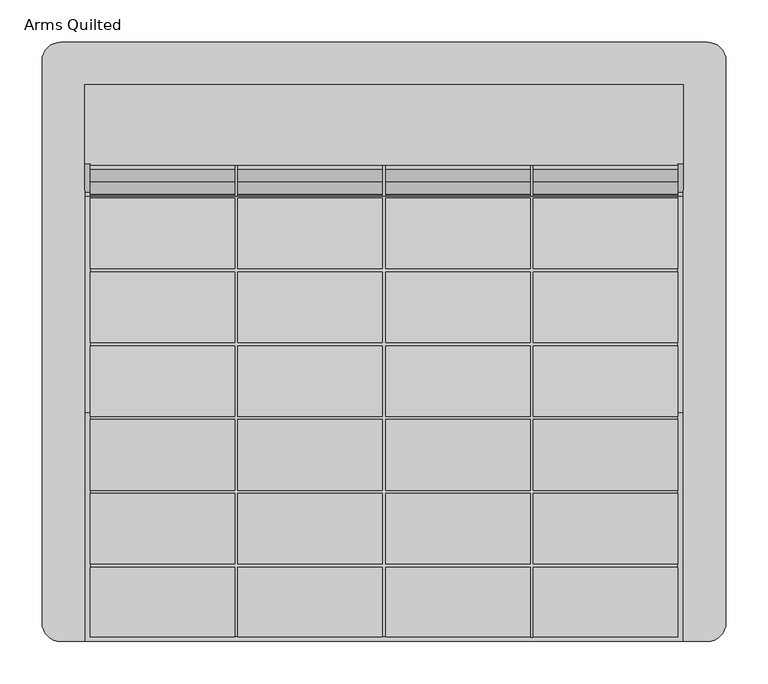
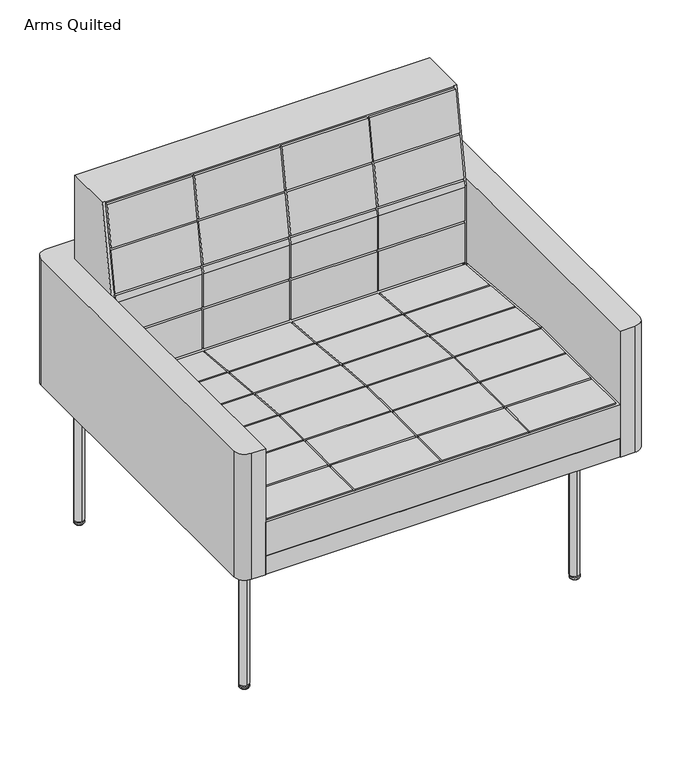
"""IFC4 building model written with IfcOpenShell, lengths in millimetres: furniture geometry, Arms Quilted."""

from ifc_helpers import new_model, si_unit, point, frame, frame_2d, origin, place, context, project, spatial, polyline, circle_curve, ellipse_curve, trimmed, segment, composite_curve, outline, extrude, faceted_brep, source, transform, mapped, element, save
from ifc_brep_helpers import plane_surface, revolved_surface, advanced_brep


def arms_quilted_b9940589(model_context):
    return source(origin(), model_context, "Body", "SolidModel", [
        faceted_brep([(354.8683301, 172.790312, 357.1875), (354.8683301, 305.047338, 357.1875), (354.8683301, 305.047338, 761.4646402), (354.8683301, 210.7940187, 761.4646402), (354.8683301, 177.552038, 569.5185218), (354.8683301, 177.552038, 405.4116807), (354.8683301, 172.790312, 405.8269736), (-354.8683301, 305.047338, 761.4646402), (-354.8683301, 305.047338, 357.1875), (-354.8683301, 172.790312, 357.1875), (-354.8683301, 172.790312, 405.8269736), (-354.8683301, 177.552038, 405.4116807), (-354.8683301, 177.552038, 569.5185218), (-354.8683301, 210.7940187, 761.4646402), (1.905, 172.790312, 570.0407405), (173.355, 172.790312, 570.0407405), (173.355, 174.941666, 582.9299879), (1.905, 174.941666, 582.9299879), (-348.615, 190.2039855, 674.3699879), (-177.165, 190.2039855, 674.3699879), (-177.165, 204.1944449, 758.1899879), (-348.615, 204.1944449, 758.1899879), (-1.905, 204.1944449, 758.1899879), (-173.355, 204.1944449, 758.1899879), (-173.355, 190.2039855, 674.3699879), (-1.905, 190.2039855, 674.3699879), (173.355, 204.1944449, 758.1899879), (1.905, 204.1944449, 758.1899879), (1.905, 190.2039855, 674.3699879), (173.355, 190.2039855, 674.3699879), (348.615, 204.1944449, 758.1899879), (177.165, 204.1944449, 758.1899879), (177.165, 190.2039855, 674.3699879), (348.615, 190.2039855, 674.3699879), (-348.615, 175.577596, 586.7399879), (-177.165, 175.577596, 586.7399879), (-177.165, 189.5680555, 670.5599879), (-348.615, 189.5680555, 670.5599879), (-1.905, 189.5680555, 670.5599879), (-173.355, 189.5680555, 670.5599879), (-173.355, 175.577596, 586.7399879), (-1.905, 175.577596, 586.7399879), (173.355, 189.5680555, 670.5599879), (1.905, 189.5680555, 670.5599879), (1.905, 175.577596, 586.7399879), (173.355, 175.577596, 586.7399879), (348.615, 189.5680555, 670.5599879), (177.165, 189.5680555, 670.5599879), (177.165, 175.577596, 586.7399879), (348.615, 175.577596, 586.7399879), (-177.165, 174.941666, 582.9299879), (-348.615, 174.941666, 582.9299879), (-348.615, 172.790312, 570.0407405), (-177.165, 172.790312, 570.0407405), (348.615, 174.941666, 582.9299879), (177.165, 174.941666, 582.9299879), (177.165, 172.790312, 570.0407405), (348.615, 172.790312, 570.0407405), (-173.355, 172.790312, 570.0407405), (-1.905, 172.790312, 570.0407405), (-1.905, 174.941666, 582.9299879), (-173.355, 174.941666, 582.9299879), (1.905, 172.790312, 499.1099879), (173.355, 172.790312, 499.1099879), (-173.355, 172.790312, 499.1099879), (-1.905, 172.790312, 499.1099879), (348.615, 172.790312, 405.8269736), (348.615, 172.790312, 404.5204), (-348.615, 172.790312, 404.5204), (-348.615, 172.790312, 405.8269736), (-348.615, 172.790312, 499.1099879), (-177.165, 172.790312, 499.1099879), (177.165, 172.790312, 499.1099879), (348.615, 172.790312, 499.1099879), (-348.615, 172.790312, 411.4799879), (-177.165, 172.790312, 411.4799879), (-177.165, 172.790312, 495.2999879), (-348.615, 172.790312, 495.2999879), (-1.905, 172.790312, 495.2999879), (-173.355, 172.790312, 495.2999879), (-173.355, 172.790312, 411.4799879), (-1.905, 172.790312, 411.4799879), (173.355, 172.790312, 495.2999879), (1.905, 172.790312, 495.2999879), (1.905, 172.790312, 411.4799879), (173.355, 172.790312, 411.4799879), (348.615, 172.790312, 495.2999879), (177.165, 172.790312, 495.2999879), (177.165, 172.790312, 411.4799879), (348.615, 172.790312, 411.4799879), (-348.615, 210.7940187, 761.4646402), (-348.615, 209.797338, 761.4646402), (348.615, 209.797338, 761.4646402), (348.615, 210.7940187, 761.4646402), (-177.165, 209.797338, 674.3699879), (-348.615, 209.797338, 674.3699879), (-348.615, 209.797338, 670.5599879), (-177.165, 209.797338, 670.5599879), (-177.165, 209.797338, 586.7399879), (-348.615, 209.797338, 586.7399879), (-348.615, 209.797338, 582.9299879), (-177.165, 209.797338, 582.9299879), (-177.165, 209.797338, 499.1099879), (-348.615, 209.797338, 499.1099879), (-348.615, 209.797338, 495.2999879), (-177.165, 209.797338, 495.2999879), (-177.165, 209.797338, 411.4799879), (-348.615, 209.797338, 411.4799879), (-348.615, 209.797338, 404.5204), (348.615, 209.797338, 404.5204), (348.615, 209.797338, 411.4799879), (177.165, 209.797338, 411.4799879), (177.165, 209.797338, 495.2999879), (348.615, 209.797338, 495.2999879), (348.615, 209.797338, 499.1099879), (177.165, 209.797338, 499.1099879), (177.165, 209.797338, 582.9299879), (348.615, 209.797338, 582.9299879), (348.615, 209.797338, 586.7399879), (177.165, 209.797338, 586.7399879), (177.165, 209.797338, 670.5599879), (348.615, 209.797338, 670.5599879), (348.615, 209.797338, 674.3699879), (177.165, 209.797338, 674.3699879), (177.165, 209.797338, 758.1899879), (348.615, 209.797338, 758.1899879), (-348.615, 209.797338, 758.1899879), (-177.165, 209.797338, 758.1899879), (-173.355, 209.797338, 758.1899879), (-1.905, 209.797338, 758.1899879), (-1.905, 209.797338, 674.3699879), (-173.355, 209.797338, 674.3699879), (-173.355, 209.797338, 670.5599879), (-1.905, 209.797338, 670.5599879), (-1.905, 209.797338, 586.7399879), (-173.355, 209.797338, 586.7399879), (1.905, 209.797338, 670.5599879), (173.355, 209.797338, 670.5599879), (173.355, 209.797338, 586.7399879), (1.905, 209.797338, 586.7399879), (-173.355, 209.797338, 582.9299879), (-1.905, 209.797338, 582.9299879), (-1.905, 209.797338, 499.1099879), (-173.355, 209.797338, 499.1099879), (1.905, 209.797338, 582.9299879), (173.355, 209.797338, 582.9299879), (173.355, 209.797338, 499.1099879), (1.905, 209.797338, 499.1099879), (-173.355, 209.797338, 495.2999879), (-1.905, 209.797338, 495.2999879), (-1.905, 209.797338, 411.4799879), (-173.355, 209.797338, 411.4799879), (1.905, 209.797338, 495.2999879), (173.355, 209.797338, 495.2999879), (173.355, 209.797338, 411.4799879), (1.905, 209.797338, 411.4799879), (1.905, 209.797338, 674.3699879), (1.905, 209.797338, 758.1899879), (173.355, 209.797338, 758.1899879), (173.355, 209.797338, 674.3699879), (-348.615, 195.7106256, 674.3699879), (348.615, 195.7106256, 674.3699879), (-348.615, 180.534519, 586.7399879), (-348.615, 179.8746882, 582.9299879), (-348.615, 195.0507949, 670.5599879), (348.615, 195.0507949, 670.5599879), (348.615, 179.8746882, 582.9299879), (348.615, 180.534519, 586.7399879), (-348.615, 177.552038, 499.1099879), (-348.615, 177.552038, 495.2999879), (348.615, 177.552038, 495.2999879), (348.615, 177.552038, 499.1099879), (-348.615, 177.552038, 411.4799879), (-348.615, 177.552038, 405.4116807), (348.615, 177.552038, 405.4116807), (348.615, 177.552038, 411.4799879), (-348.615, 177.552038, 569.5185218), (348.615, 177.552038, 569.5185218)], [[[0, 1, 2, 3, 4, 5, 6]], [[7, 8, 9, 10, 11, 12, 13]], [[14, 15, 16, 17]], [[18, 19, 20, 21]], [[22, 23, 24, 25]], [[26, 27, 28, 29]], [[30, 31, 32, 33]], [[34, 35, 36, 37]], [[38, 39, 40, 41]], [[42, 43, 44, 45]], [[46, 47, 48, 49]], [[50, 51, 52, 53]], [[54, 55, 56, 57]], [[58, 59, 60, 61]], [[15, 14, 62, 63]], [[59, 58, 64, 65]], [[9, 0, 6, 66, 67, 68, 69, 10]], [[70, 71, 53, 52]], [[72, 73, 57, 56]], [[74, 75, 76, 77]], [[78, 79, 80, 81]], [[82, 83, 84, 85]], [[86, 87, 88, 89]], [[1, 0, 9, 8]], [[2, 1, 8, 7]], [[2, 7, 13, 90, 91, 92, 93, 3]], [[94, 95, 96, 97, 98, 99, 100, 101, 102, 103, 104, 105, 106, 107, 108, 109, 110, 111, 112, 113, 114, 115, 116, 117, 118, 119, 120, 121, 122, 123, 124, 125, 92, 91, 126, 127], [128, 129, 130, 131], [132, 133, 134, 135], [136, 137, 138, 139], [140, 141, 142, 143], [144, 145, 146, 147], [148, 149, 150, 151], [152, 153, 154, 155], [156, 157, 158, 159]], [[95, 94, 19, 18, 160]], [[127, 126, 21, 20]], [[94, 127, 20, 19]], [[129, 128, 23, 22]], [[131, 130, 25, 24]], [[128, 131, 24, 23]], [[158, 157, 27, 26]], [[159, 158, 26, 29]], [[156, 159, 29, 28]], [[125, 124, 31, 30]], [[123, 122, 161, 33, 32]], [[124, 123, 32, 31]], [[99, 98, 35, 34, 162]], [[100, 99, 162, 163]], [[97, 96, 164, 37, 36]], [[98, 97, 36, 35]], [[133, 132, 39, 38]], [[134, 133, 38, 41]], [[135, 134, 41, 40]], [[132, 135, 40, 39]], [[137, 136, 43, 42]], [[138, 137, 42, 45]], [[139, 138, 45, 44]], [[136, 139, 44, 43]], [[121, 120, 47, 46, 165]], [[118, 117, 166, 167]], [[119, 118, 167, 49, 48]], [[120, 119, 48, 47]], [[103, 102, 71, 70, 168]], [[104, 103, 168, 169]], [[101, 100, 163, 51, 50]], [[102, 101, 50, 53, 71]], [[141, 140, 61, 60]], [[142, 141, 60, 59, 65]], [[143, 142, 65, 64]], [[140, 143, 64, 58, 61]], [[145, 144, 17, 16]], [[146, 145, 16, 15, 63]], [[147, 146, 63, 62]], [[144, 147, 62, 14, 17]], [[117, 116, 55, 54, 166]], [[114, 113, 170, 171]], [[115, 114, 171, 73, 72]], [[116, 115, 72, 56, 55]], [[107, 106, 75, 74, 172]], [[108, 107, 172, 173, 69, 68]], [[105, 104, 169, 77, 76]], [[106, 105, 76, 75]], [[149, 148, 79, 78]], [[150, 149, 78, 81]], [[151, 150, 81, 80]], [[148, 151, 80, 79]], [[153, 152, 83, 82]], [[154, 153, 82, 85]], [[155, 154, 85, 84]], [[152, 155, 84, 83]], [[113, 112, 87, 86, 170]], [[110, 109, 67, 66, 174, 175]], [[111, 110, 175, 89, 88]], [[112, 111, 88, 87]], [[109, 108, 68, 67]], [[96, 95, 160, 164]], [[122, 121, 165, 161]], [[130, 129, 22, 25]], [[157, 156, 28, 27]], [[176, 168, 70, 52, 51, 163]], [[169, 172, 74, 77]], [[164, 162, 34, 37]], [[90, 160, 18, 21, 126, 91]], [[162, 164, 160, 90, 13, 12, 176, 163]], [[173, 11, 10, 69]], [[168, 176, 12, 11, 173, 172, 169]], [[177, 166, 54, 57, 73, 171]], [[175, 170, 86, 89]], [[167, 165, 46, 49]], [[161, 93, 92, 125, 30, 33]], [[166, 177, 4, 3, 93, 161, 165, 167]], [[177, 171, 170, 175, 174, 5, 4]], [[5, 174, 66, 6]]]),
        faceted_brep([(354.8683301, -355.847338, 357.1875), (354.8683301, 172.790312, 357.1875), (354.8683301, 172.790312, 405.8269736), (354.8683301, -84.5466544, 428.2705643), (354.8683301, -355.847338, 428.2705643), (-354.8683301, 172.790312, 357.1875), (-354.8683301, -355.847338, 357.1875), (-354.8683301, -355.847338, 428.2705643), (-354.8683301, -84.5466544, 428.2705643), (-354.8683301, 172.790312, 405.8269736), (-348.615, 172.790312, 405.8269736), (-348.615, 172.790312, 395.5542), (348.615, 172.790312, 395.5542), (348.615, 172.790312, 405.8269736), (-177.165, 86.747662, 415.9469708), (-177.165, 170.567662, 408.6136794), (-348.615, 170.567662, 408.6136794), (-348.615, 86.747662, 415.9469708), (-177.165, -0.882338, 423.6135936), (-177.165, 82.937662, 416.2803022), (-348.615, 82.937662, 416.2803022), (-348.615, -0.882338, 423.6135936), (-1.905, 82.937662, 416.2803022), (-173.355, 82.937662, 416.2803022), (-173.355, -0.882338, 423.6135936), (-1.905, -0.882338, 423.6135936), (173.355, 82.937662, 416.2803022), (1.905, 82.937662, 416.2803022), (1.905, -0.882338, 423.6135936), (173.355, -0.882338, 423.6135936), (348.615, 82.937662, 416.2803022), (177.165, 82.937662, 416.2803022), (177.165, -0.882338, 423.6135936), (348.615, -0.882338, 423.6135936), (-177.165, -88.512338, 431.2802164), (-177.165, -4.692338, 423.946925), (-348.615, -4.692338, 423.946925), (-348.615, -88.512338, 431.2802164), (-1.905, -4.692338, 423.946925), (-173.355, -4.692338, 423.946925), (-173.355, -88.512338, 431.2802164), (-1.905, -88.512338, 431.2802164), (173.355, -4.692338, 423.946925), (1.905, -4.692338, 423.946925), (1.905, -88.512338, 431.2802164), (173.355, -88.512338, 431.2802164), (348.615, -4.692338, 423.946925), (177.165, -4.692338, 423.946925), (177.165, -88.512338, 431.2802164), (348.615, -88.512338, 431.2802164), (-1.905, 170.567662, 408.6136794), (-173.355, 170.567662, 408.6136794), (-173.355, 86.747662, 415.9469708), (-1.905, 86.747662, 415.9469708), (173.355, 170.567662, 408.6136794), (1.905, 170.567662, 408.6136794), (1.905, 86.747662, 415.9469708), (173.355, 86.747662, 415.9469708), (348.615, 170.567662, 408.6136794), (177.165, 170.567662, 408.6136794), (177.165, 86.747662, 415.9469708), (348.615, 86.747662, 415.9469708), (-177.165, -176.142338, 431.3641497), (-177.165, -92.322338, 431.3641497), (-348.615, -92.322338, 431.3641497), (-348.615, -176.142338, 431.3641497), (-1.905, -92.322338, 431.3641497), (-173.355, -92.322338, 431.3641497), (-173.355, -176.142338, 431.3641497), (-1.905, -176.142338, 431.3641497), (173.355, -92.322338, 431.3641497), (1.905, -92.322338, 431.3641497), (1.905, -176.142338, 431.3641497), (173.355, -176.142338, 431.3641497), (348.615, -92.322338, 431.3641497), (177.165, -92.322338, 431.3641497), (177.165, -176.142338, 431.3641497), (348.615, -176.142338, 431.3641497), (-177.165, -263.772338, 431.3641497), (-177.165, -179.952338, 431.3641497), (-348.615, -179.952338, 431.3641497), (-348.615, -263.772338, 431.3641497), (-1.905, -179.952338, 431.3641497), (-173.355, -179.952338, 431.3641497), (-173.355, -263.772338, 431.3641497), (-1.905, -263.772338, 431.3641497), (173.355, -179.952338, 431.3641497), (1.905, -179.952338, 431.3641497), (1.905, -263.772338, 431.3641497), (173.355, -263.772338, 431.3641497), (348.615, -179.952338, 431.3641497), (177.165, -179.952338, 431.3641497), (177.165, -263.772338, 431.3641497), (348.615, -263.772338, 431.3641497), (-177.165, -350.449838, 431.3641497), (-177.165, -267.582338, 431.3641497), (-348.615, -267.582338, 431.3641497), (-348.615, -350.449838, 431.3641497), (-1.905, -267.582338, 431.3641497), (-173.355, -267.582338, 431.3641497), (-173.355, -350.449838, 431.3641497), (-1.905, -350.449838, 431.3641497), (173.355, -267.582338, 431.3641497), (1.905, -267.582338, 431.3641497), (1.905, -350.449838, 431.3641497), (173.355, -350.449838, 431.3641497), (348.615, -267.582338, 431.3641497), (177.165, -267.582338, 431.3641497), (177.165, -350.449838, 431.3641497), (348.615, -350.449838, 431.3641497), (-177.165, 170.567662, 395.5542), (-177.165, 86.747662, 395.5542), (-348.615, 86.747662, 395.5542), (-348.615, 82.937662, 395.5542), (-177.165, 82.937662, 395.5542), (-177.165, -0.882338, 395.5542), (-348.615, -0.882338, 395.5542), (-348.615, -4.692338, 395.5542), (-177.165, -4.692338, 395.5542), (-177.165, -88.512338, 395.5542), (-348.615, -88.512338, 395.5542), (-348.615, -92.322338, 395.5542), (-177.165, -92.322338, 395.5542), (-177.165, -176.142338, 395.5542), (-348.615, -176.142338, 395.5542), (-348.615, -179.952338, 395.5542), (-177.165, -179.952338, 395.5542), (-177.165, -263.772338, 395.5542), (-348.615, -263.772338, 395.5542), (-348.615, -267.582338, 395.5542), (-177.165, -267.582338, 395.5542), (-177.165, -350.449838, 395.5542), (-173.355, -350.449838, 395.5542), (-173.355, -267.582338, 395.5542), (-1.905, -267.582338, 395.5542), (-1.905, -350.449838, 395.5542), (1.905, -350.449838, 395.5542), (1.905, -267.582338, 395.5542), (173.355, -267.582338, 395.5542), (173.355, -351.402338, 395.5542), (177.165, -351.402338, 395.5542), (177.165, -267.582338, 395.5542), (348.615, -267.582338, 395.5542), (348.615, -263.772338, 395.5542), (177.165, -263.772338, 395.5542), (177.165, -179.952338, 395.5542), (348.615, -179.952338, 395.5542), (348.615, -176.142338, 395.5542), (177.165, -176.142338, 395.5542), (177.165, -92.322338, 395.5542), (348.615, -92.322338, 395.5542), (348.615, -88.512338, 395.5542), (177.165, -88.512338, 395.5542), (177.165, -4.692338, 395.5542), (348.615, -4.692338, 395.5542), (348.615, -0.882338, 395.5542), (177.165, -0.882338, 395.5542), (177.165, 82.937662, 395.5542), (348.615, 82.937662, 395.5542), (348.615, 86.747662, 395.5542), (177.165, 86.747662, 395.5542), (177.165, 170.567662, 395.5542), (348.615, 170.567662, 395.5542), (-348.615, 170.567662, 395.5542), (-173.355, 170.567662, 395.5542), (-1.905, 170.567662, 395.5542), (-1.905, 86.747662, 395.5542), (-173.355, 86.747662, 395.5542), (1.905, 170.567662, 395.5542), (173.355, 170.567662, 395.5542), (173.355, 86.747662, 395.5542), (1.905, 86.747662, 395.5542), (-173.355, 82.937662, 395.5542), (-1.905, 82.937662, 395.5542), (-1.905, -0.882338, 395.5542), (-173.355, -0.882338, 395.5542), (1.905, 82.937662, 395.5542), (173.355, 82.937662, 395.5542), (173.355, -0.882338, 395.5542), (1.905, -0.882338, 395.5542), (-173.355, -4.692338, 395.5542), (-1.905, -4.692338, 395.5542), (-1.905, -88.512338, 395.5542), (-173.355, -88.512338, 395.5542), (1.905, -4.692338, 395.5542), (173.355, -4.692338, 395.5542), (173.355, -88.512338, 395.5542), (1.905, -88.512338, 395.5542), (-173.355, -92.322338, 395.5542), (-1.905, -92.322338, 395.5542), (-1.905, -176.142338, 395.5542), (-173.355, -176.142338, 395.5542), (1.905, -92.322338, 395.5542), (173.355, -92.322338, 395.5542), (173.355, -176.142338, 395.5542), (1.905, -176.142338, 395.5542), (-173.355, -179.952338, 395.5542), (-1.905, -179.952338, 395.5542), (-1.905, -263.772338, 395.5542), (-173.355, -263.772338, 395.5542), (1.905, -179.952338, 395.5542), (173.355, -179.952338, 395.5542), (173.355, -263.772338, 395.5542), (1.905, -263.772338, 395.5542), (-348.615, 86.747662, 413.3311657), (-348.615, 82.937662, 413.663454), (-348.615, 170.567662, 406.0208216), (348.615, 170.567662, 406.0208216), (348.615, 86.747662, 413.3311657), (-348.615, -0.882338, 420.9737981), (-348.615, -4.692338, 421.3060865), (348.615, 82.937662, 413.663454), (348.615, -0.882338, 420.9737981), (-348.615, -88.512338, 428.2705643), (-348.615, -92.322338, 428.2705643), (348.615, -4.692338, 421.3060865), (348.615, -88.512338, 428.2705643), (-348.615, -176.142338, 428.2705643), (-348.615, -179.952338, 428.2705643), (348.615, -92.322338, 428.2705643), (348.615, -176.142338, 428.2705643), (-348.615, -263.772338, 428.2705643), (-348.615, -267.582338, 428.2705643), (348.615, -179.952338, 428.2705643), (348.615, -263.772338, 428.2705643), (-177.165, -350.449838, 428.2705643), (-173.355, -350.449838, 428.2705643), (-1.905, -350.449838, 428.2705643), (1.905, -350.449838, 428.2705643), (173.355, -350.449838, 428.2705643), (173.355, -351.402338, 428.2705643), (177.165, -351.402338, 428.2705643), (348.615, -267.582338, 428.2705643), (177.165, -350.449838, 428.2705643), (-348.615, -350.449838, 428.2705643), (-348.615, -84.5466544, 428.2705643), (348.615, -84.5466544, 428.2705643), (348.615, -350.449838, 428.2705643)], [[[0, 1, 2, 3, 4]], [[5, 6, 7, 8, 9]], [[6, 0, 4, 7]], [[1, 0, 6, 5]], [[1, 5, 9, 10, 11, 12, 13, 2]], [[14, 15, 16, 17]], [[18, 19, 20, 21]], [[22, 23, 24, 25]], [[26, 27, 28, 29]], [[30, 31, 32, 33]], [[34, 35, 36, 37]], [[38, 39, 40, 41]], [[42, 43, 44, 45]], [[46, 47, 48, 49]], [[50, 51, 52, 53]], [[54, 55, 56, 57]], [[58, 59, 60, 61]], [[62, 63, 64, 65]], [[66, 67, 68, 69]], [[70, 71, 72, 73]], [[74, 75, 76, 77]], [[78, 79, 80, 81]], [[82, 83, 84, 85]], [[86, 87, 88, 89]], [[90, 91, 92, 93]], [[94, 95, 96, 97]], [[98, 99, 100, 101]], [[102, 103, 104, 105]], [[106, 107, 108, 109]], [[110, 111, 112, 113, 114, 115, 116, 117, 118, 119, 120, 121, 122, 123, 124, 125, 126, 127, 128, 129, 130, 131, 132, 133, 134, 135, 136, 137, 138, 139, 140, 141, 142, 143, 144, 145, 146, 147, 148, 149, 150, 151, 152, 153, 154, 155, 156, 157, 158, 159, 160, 161, 162, 12, 11, 163], [164, 165, 166, 167], [168, 169, 170, 171], [172, 173, 174, 175], [176, 177, 178, 179], [180, 181, 182, 183], [184, 185, 186, 187], [188, 189, 190, 191], [192, 193, 194, 195], [196, 197, 198, 199], [200, 201, 202, 203]], [[111, 110, 15, 14]], [[112, 111, 14, 17, 204]], [[113, 112, 204, 205]], [[110, 163, 206, 16, 15]], [[165, 164, 51, 50]], [[166, 165, 50, 53]], [[167, 166, 53, 52]], [[164, 167, 52, 51]], [[169, 168, 55, 54]], [[170, 169, 54, 57]], [[171, 170, 57, 56]], [[168, 171, 56, 55]], [[162, 161, 59, 58, 207]], [[160, 159, 208, 61, 60]], [[161, 160, 60, 59]], [[115, 114, 19, 18]], [[116, 115, 18, 21, 209]], [[117, 116, 209, 210]], [[114, 113, 205, 20, 19]], [[173, 172, 23, 22]], [[174, 173, 22, 25]], [[175, 174, 25, 24]], [[172, 175, 24, 23]], [[177, 176, 27, 26]], [[178, 177, 26, 29]], [[179, 178, 29, 28]], [[176, 179, 28, 27]], [[158, 157, 31, 30, 211]], [[156, 155, 212, 33, 32]], [[157, 156, 32, 31]], [[119, 118, 35, 34]], [[120, 119, 34, 37, 213]], [[121, 120, 213, 214]], [[118, 117, 210, 36, 35]], [[181, 180, 39, 38]], [[182, 181, 38, 41]], [[183, 182, 41, 40]], [[180, 183, 40, 39]], [[185, 184, 43, 42]], [[186, 185, 42, 45]], [[187, 186, 45, 44]], [[184, 187, 44, 43]], [[154, 153, 47, 46, 215]], [[152, 151, 216, 49, 48]], [[153, 152, 48, 47]], [[123, 122, 63, 62]], [[124, 123, 62, 65, 217]], [[125, 124, 217, 218]], [[122, 121, 214, 64, 63]], [[189, 188, 67, 66]], [[190, 189, 66, 69]], [[191, 190, 69, 68]], [[188, 191, 68, 67]], [[193, 192, 71, 70]], [[194, 193, 70, 73]], [[195, 194, 73, 72]], [[192, 195, 72, 71]], [[150, 149, 75, 74, 219]], [[148, 147, 220, 77, 76]], [[149, 148, 76, 75]], [[127, 126, 79, 78]], [[128, 127, 78, 81, 221]], [[129, 128, 221, 222]], [[126, 125, 218, 80, 79]], [[197, 196, 83, 82]], [[198, 197, 82, 85]], [[199, 198, 85, 84]], [[196, 199, 84, 83]], [[201, 200, 87, 86]], [[202, 201, 86, 89]], [[203, 202, 89, 88]], [[200, 203, 88, 87]], [[146, 145, 91, 90, 223]], [[144, 143, 224, 93, 92]], [[145, 144, 92, 91]], [[131, 130, 95, 94, 225]], [[132, 131, 225, 226]], [[130, 129, 222, 96, 95]], [[134, 133, 99, 98]], [[135, 134, 98, 101, 227]], [[136, 135, 227, 228]], [[133, 132, 226, 100, 99]], [[138, 137, 103, 102]], [[139, 138, 102, 105, 229, 230]], [[140, 139, 230, 231]], [[137, 136, 228, 104, 103]], [[142, 141, 107, 106, 232]], [[141, 140, 231, 233, 108, 107]], [[163, 11, 10, 206]], [[143, 142, 232, 224]], [[147, 146, 223, 220]], [[151, 150, 219, 216]], [[155, 154, 215, 212]], [[159, 158, 211, 208]], [[96, 222, 234, 97]], [[235, 213, 37, 36, 210]], [[206, 204, 17, 16]], [[205, 209, 21, 20]], [[214, 217, 65, 64]], [[218, 221, 81, 80]], [[213, 235, 8, 7, 4, 3, 236, 216, 219, 220, 223, 224, 232, 237, 233, 231, 230, 229, 228, 227, 226, 225, 234, 222, 221, 218, 217, 214]], [[204, 206, 10, 9, 8, 235, 210, 209, 205]], [[232, 106, 109, 237]], [[216, 236, 215, 46, 49]], [[220, 219, 74, 77]], [[224, 223, 90, 93]], [[212, 211, 30, 33]], [[208, 207, 58, 61]], [[215, 236, 3, 2, 13, 207, 208, 211, 212]], [[233, 237, 109, 108]], [[228, 229, 105, 104]], [[226, 227, 101, 100]], [[234, 225, 94, 97]], [[12, 162, 207, 13]]]),
        advanced_brep(
        [(-326.9326911, -239.6951247, 0.0), (-334.4990571, -239.6951247, 0.0), (-330.7158741, -239.6951247, 0.0), (-321.1908741, -239.6951247, 3.1750001), (-340.2408741, -239.6951247, 3.1750001), (-321.0604279, -239.6951247, 6.4931848), (-340.3713203, -239.6951247, 6.4931848), (-326.5659995, -239.6951247, 9.5049434), (-334.8657488, -239.6951247, 9.5049434), (-330.7158741, -239.6951247, 9.5049435)],
        [
            (0, 1, circle_curve(frame((-330.7158741, -239.6951247, 0.0), z_axis=(0.0, 0.0, -1.0), x_axis=(-1.0, 0.0, 0.0)), 3.783183)),
            (1, 2),
            (2, 0),
            (1, 0, circle_curve(frame((-330.7158741, -239.6951247, 0.0), z_axis=(0.0, 0.0, -1.0), x_axis=(-1.0, 0.0, 0.0)), 3.783183)),
            (3, 4, circle_curve(frame((-330.7158741, -239.6951247, 3.1750001), z_axis=(0.0, 0.0, -1.0), x_axis=(-1.0, 0.0, 0.0)), 9.525)),
            (4, 1, circle_curve(frame((-334.4990571, -239.6951247, 6.7793838), z_axis=(0.0, -1.0, 0.0), x_axis=(-1.0, 0.0, 0.0)), 6.7793838)),
            (0, 3, circle_curve(frame((-326.9326911, -239.6951247, 6.7793838), z_axis=(0.0, -1.0, 0.0), x_axis=(1.0, 0.0, 0.0)), 6.7793838)),
            (4, 3, circle_curve(frame((-330.7158741, -239.6951247, 3.1750001), z_axis=(0.0, 0.0, -1.0), x_axis=(-1.0, 0.0, 0.0)), 9.525)),
            (5, 6, circle_curve(frame((-330.7158741, -239.6951247, 6.4931848), z_axis=(0.0, 0.0, -1.0), x_axis=(-1.0, 0.0, 0.0)), 9.6554462)),
            (6, 4),
            (3, 5),
            (6, 5, circle_curve(frame((-330.7158741, -239.6951247, 6.4931848), z_axis=(0.0, 0.0, -1.0), x_axis=(-1.0, 0.0, 0.0)), 9.6554462)),
            (7, 8, circle_curve(frame((-330.7158741, -239.6951247, 9.5049434), z_axis=(0.0, 0.0, -1.0), x_axis=(-1.0, 0.0, 0.0)), 4.1498747)),
            (8, 6, circle_curve(frame((-334.8657488, -239.6951247, 2.9669016), z_axis=(0.0, -1.0, 0.0), x_axis=(-1.0, 0.0, 0.0)), 6.5380418)),
            (5, 7, circle_curve(frame((-326.5659995, -239.6951247, 2.9669016), z_axis=(0.0, -1.0, 0.0), x_axis=(1.0, 0.0, 0.0)), 6.5380418)),
            (8, 7, circle_curve(frame((-330.7158741, -239.6951247, 9.5049434), z_axis=(0.0, 0.0, -1.0), x_axis=(-1.0, 0.0, 0.0)), 4.1498747)),
            (9, 8),
            (7, 9),
        ],
        [
            plane_surface(frame((-330.7158741, -239.6951247, 0.0), z_axis=(0.0, 0.0, -1.0), x_axis=(-1.0, 0.0, 0.0))),
            revolved_surface(trimmed(ellipse_curve(frame((-334.4990571, -239.6951247, 6.7793838), z_axis=(0.0, 1.0, 0.0), x_axis=(-1.0, 0.0, 0.0)), 6.7793838, 6.7793838), [point((-334.4990571, -239.6951247, 0.0))], [point((-340.2408741, -239.6951247, 3.1750001))], True, "CARTESIAN"), (-330.7158741, -239.6951247, 2.4865786), (0.0, 0.0, 1.0)),
            revolved_surface(polyline([(-340.2408741, -239.6951247, 3.1750001), (-340.3713203, -239.6951247, 6.4931848)]), (-330.7158741, -239.6951247, 2.4865786), (0.0, 0.0, 1.0)),
            revolved_surface(trimmed(ellipse_curve(frame((-334.8657488, -239.6951247, 2.9669016), z_axis=(0.0, 1.0, 0.0), x_axis=(-1.0, 0.0, 0.0)), 6.5380418, 6.5380418), [point((-340.3713203, -239.6951247, 6.4931848))], [point((-334.8657488, -239.6951247, 9.5049434))], True, "CARTESIAN"), (-330.7158741, -239.6951247, 2.4865786), (0.0, 0.0, 1.0)),
            plane_surface(frame((-330.7158741, -239.6951247, 9.5049435), z_axis=(0.0, 0.0, 1.0), x_axis=(-1.0, 0.0, 0.0))),
        ],
        [
            (0, [[1, 2, 3]]),
            (0, [[4, -3, -2]]),
            (1, [[5, 6, -1, 7]]),
            (1, [[8, -7, -4, -6]]),
            (2, [[9, 10, -5, 11]]),
            (2, [[12, -11, -8, -10]]),
            (3, [[13, 14, -9, 15]]),
            (3, [[16, -15, -12, -14]]),
            (4, [[17, -13, 18]]),
            (4, [[-18, -16, -17]]),
        ],
    ),
        advanced_brep(
        [(-330.7158741, 332.5700088, 0.0), (-334.4990571, 332.5700088, 0.0), (-326.9326911, 332.5700088, 0.0), (-340.2408741, 332.5700088, 3.1750001), (-321.1908741, 332.5700088, 3.1750001), (-340.3713203, 332.5700088, 6.4931848), (-321.0604279, 332.5700088, 6.4931848), (-334.8657488, 332.5700088, 9.5049435), (-326.5659995, 332.5700088, 9.5049435), (-330.7158741, 332.5700088, 9.5049435)],
        [
            (0, 1),
            (1, 2, circle_curve(frame((-330.7158741, 332.5700088, 0.0), z_axis=(0.0, 0.0, -1.0), x_axis=(-1.0, 0.0, 0.0)), 3.783183)),
            (2, 0),
            (2, 1, circle_curve(frame((-330.7158741, 332.5700088, 0.0), z_axis=(0.0, 0.0, -1.0), x_axis=(-1.0, 0.0, 0.0)), 3.783183)),
            (1, 3, circle_curve(frame((-334.4990571, 332.5700088, 6.7793838), z_axis=(0.0, 1.0, 0.0), x_axis=(-1.0, 0.0, 0.0)), 6.7793838)),
            (3, 4, circle_curve(frame((-330.7158741, 332.5700088, 3.1750001), z_axis=(0.0, 0.0, -1.0), x_axis=(-1.0, 0.0, 0.0)), 9.525)),
            (4, 2, circle_curve(frame((-326.9326911, 332.5700088, 6.7793838), z_axis=(0.0, 1.0, 0.0), x_axis=(1.0, 0.0, 0.0)), 6.7793838)),
            (4, 3, circle_curve(frame((-330.7158741, 332.5700088, 3.1750001), z_axis=(0.0, 0.0, -1.0), x_axis=(-1.0, 0.0, 0.0)), 9.525)),
            (3, 5),
            (5, 6, circle_curve(frame((-330.7158741, 332.5700088, 6.4931848), z_axis=(0.0, 0.0, -1.0), x_axis=(-1.0, 0.0, 0.0)), 9.6554462)),
            (6, 4),
            (6, 5, circle_curve(frame((-330.7158741, 332.5700088, 6.4931848), z_axis=(0.0, 0.0, -1.0), x_axis=(-1.0, 0.0, 0.0)), 9.6554462)),
            (5, 7, circle_curve(frame((-334.8657488, 332.5700088, 2.9669016), z_axis=(0.0, 1.0, 0.0), x_axis=(-1.0, 0.0, 0.0)), 6.5380418)),
            (7, 8, circle_curve(frame((-330.7158741, 332.5700088, 9.5049435), z_axis=(0.0, 0.0, -1.0), x_axis=(-1.0, 0.0, 0.0)), 4.1498747)),
            (8, 6, circle_curve(frame((-326.5659995, 332.5700088, 2.9669016), z_axis=(0.0, 1.0, 0.0), x_axis=(1.0, 0.0, 0.0)), 6.5380418)),
            (8, 7, circle_curve(frame((-330.7158741, 332.5700088, 9.5049435), z_axis=(0.0, 0.0, -1.0), x_axis=(-1.0, 0.0, 0.0)), 4.1498747)),
            (7, 9),
            (9, 8),
        ],
        [
            plane_surface(frame((-330.7158741, 332.5700088, 0.0), z_axis=(0.0, 0.0, -1.0), x_axis=(-1.0, 0.0, 0.0))),
            revolved_surface(trimmed(ellipse_curve(frame((-334.4990571, 332.5700088, 6.7793838), z_axis=(0.0, -1.0, 0.0), x_axis=(-1.0, 0.0, 0.0)), 6.7793838, 6.7793838), [point((-340.2408741, 332.5700088, 3.1750001))], [point((-334.4990571, 332.5700088, 0.0))], True, "CARTESIAN"), (-330.7158741, 332.5700088, 2.4865786), (0.0, 0.0, -1.0)),
            revolved_surface(polyline([(-340.3713203, 332.5700088, 6.4931848), (-340.2408741, 332.5700088, 3.1750001)]), (-330.7158741, 332.5700088, 2.4865786), (0.0, 0.0, -1.0)),
            revolved_surface(trimmed(ellipse_curve(frame((-334.8657488, 332.5700088, 2.9669016), z_axis=(0.0, -1.0, 0.0), x_axis=(-1.0, 0.0, 0.0)), 6.5380418, 6.5380418), [point((-334.8657488, 332.5700088, 9.5049435))], [point((-340.3713203, 332.5700088, 6.4931848))], True, "CARTESIAN"), (-330.7158741, 332.5700088, 2.4865786), (0.0, 0.0, -1.0)),
            plane_surface(frame((-330.7158741, 332.5700088, 9.5049435), z_axis=(0.0, 0.0, 1.0), x_axis=(-1.0, 0.0, 0.0))),
        ],
        [
            (0, [[1, 2, 3]]),
            (0, [[-3, 4, -1]]),
            (1, [[-2, 5, 6, 7]]),
            (1, [[-4, -7, 8, -5]]),
            (2, [[-6, 9, 10, 11]]),
            (2, [[-8, -11, 12, -9]]),
            (3, [[-10, 13, 14, 15]]),
            (3, [[-12, -15, 16, -13]]),
            (4, [[-14, 17, 18]]),
            (4, [[-16, -18, -17]]),
        ],
    ),
        extrude(outline(composite_curve([segment(trimmed(circle_curve(frame_2d((-383.6973301, 333.876338)), 21.971), [point((-405.6683301, 333.876338))], [point((-383.6973301, 355.847338))], False, "CARTESIAN"), True, "CONTINUOUS"), segment(polyline([(-383.6973301, 355.847338), (383.6973301, 355.847338)]), True, "CONTINUOUS"), segment(trimmed(circle_curve(frame_2d((383.6973301, 333.876338)), 21.971), [point((383.6973301, 355.847338))], [point((405.6683301, 333.876338))], False, "CARTESIAN"), True, "CONTINUOUS"), segment(polyline([(405.6683301, 333.876338), (405.6683301, -333.880734)]), True, "CONTINUOUS"), segment(trimmed(circle_curve(frame_2d((383.7017262, -333.880734)), 21.966604), [point((405.6683301, -333.880734))], [point((383.7017262, -355.847338))], False, "CARTESIAN"), True, "CONTINUOUS"), segment(polyline([(383.7017262, -355.847338), (354.8683301, -355.847338), (354.8683301, 305.047338), (-354.8683301, 305.047338), (-354.8683301, -355.847338), (-383.6973301, -355.847338)]), True, "CONTINUOUS"), segment(trimmed(circle_curve(frame_2d((-383.6973301, -333.876338)), 21.971), [point((-383.6973301, -355.847338))], [point((-405.6683301, -333.876338))], False, "CARTESIAN"), True, "CONTINUOUS"), segment(polyline([(-405.6683301, -333.876338), (-405.6683301, 333.876338)]), True, "CONTINUOUS")], self_intersect=False)), frame((0.0, 0.0, 317.4993339), z_axis=(0.0, 0.0, 1.0), x_axis=(1.0, 0.0, 0.0)), (0.0, 0.0, 1.0), 266.700654),
        extrude(outline(composite_curve([segment(trimmed(circle_curve(frame_2d((-330.5455732, 332.8903279)), 9.525), [point((-340.0705732, 332.8903279))], [point((-330.5455732, 342.4153279))], False, "CARTESIAN"), True, "CONTINUOUS"), segment(trimmed(circle_curve(frame_2d((-330.5455732, 332.8903279)), 9.525), [point((-330.5455732, 342.4153279))], [point((-321.0205732, 332.8903279))], False, "CARTESIAN"), True, "CONTINUOUS"), segment(trimmed(circle_curve(frame_2d((-330.5455732, 332.8903279)), 9.525), [point((-321.0205732, 332.8903279))], [point((-330.5455732, 323.3653279))], False, "CARTESIAN"), True, "CONTINUOUS"), segment(trimmed(circle_curve(frame_2d((-330.5455732, 332.8903279)), 9.525), [point((-330.5455732, 323.3653279))], [point((-340.0705732, 332.8903279))], False, "CARTESIAN"), True, "CONTINUOUS")], self_intersect=False)), frame((0.0, 0.0, 9.525), z_axis=(0.0, 0.0, 1.0), x_axis=(1.0, 0.0, 0.0)), (0.0, 0.0, 1.0), 269.8750061),
        extrude(outline(composite_curve([segment(trimmed(circle_curve(frame_2d((-330.4468312, -238.7745677)), 9.525), [point((-339.9718312, -238.7745677))], [point((-330.4468312, -229.2495677))], False, "CARTESIAN"), True, "CONTINUOUS"), segment(trimmed(circle_curve(frame_2d((-330.4468312, -238.7745677)), 9.525), [point((-330.4468312, -229.2495677))], [point((-320.9218312, -238.7745677))], False, "CARTESIAN"), True, "CONTINUOUS"), segment(trimmed(circle_curve(frame_2d((-330.4468312, -238.7745677)), 9.525), [point((-320.9218312, -238.7745677))], [point((-330.4468312, -248.2995677))], False, "CARTESIAN"), True, "CONTINUOUS"), segment(trimmed(circle_curve(frame_2d((-330.4468312, -238.7745677)), 9.525), [point((-330.4468312, -248.2995677))], [point((-339.9718312, -238.7745677))], False, "CARTESIAN"), True, "CONTINUOUS")], self_intersect=False)), frame((0.0, 0.0, 9.525), z_axis=(0.0, 0.0, 1.0), x_axis=(1.0, 0.0, 0.0)), (0.0, 0.0, 1.0), 269.8750061),
        advanced_brep(
        [(-326.4581339, -238.459695, 0.0), (-334.0244998, -238.459695, 0.0), (-330.2413168, -238.459695, 0.0), (-320.7163168, -238.459695, 3.1750001), (-339.7663168, -238.459695, 3.1750001), (-320.5858706, -238.459695, 6.4931848), (-339.896763, -238.459695, 6.4931848), (-326.0914422, -238.459695, 9.5049435), (-334.3911915, -238.459695, 9.5049435), (-330.2413168, -238.459695, 9.5049435)],
        [
            (0, 1, circle_curve(frame((-330.2413168, -238.459695, 0.0), z_axis=(0.0, 0.0, -1.0), x_axis=(-1.0, 0.0, 0.0)), 3.783183)),
            (1, 2),
            (2, 0),
            (1, 0, circle_curve(frame((-330.2413168, -238.459695, 0.0), z_axis=(0.0, 0.0, -1.0), x_axis=(-1.0, 0.0, 0.0)), 3.783183)),
            (3, 4, circle_curve(frame((-330.2413168, -238.459695, 3.1750001), z_axis=(0.0, 0.0, -1.0), x_axis=(-1.0, 0.0, 0.0)), 9.525)),
            (4, 1, circle_curve(frame((-334.0244998, -238.459695, 6.7793838), z_axis=(0.0, -1.0, 0.0), x_axis=(-1.0, 0.0, 0.0)), 6.7793838)),
            (0, 3, circle_curve(frame((-326.4581339, -238.459695, 6.7793838), z_axis=(0.0, -1.0, 0.0), x_axis=(1.0, 0.0, 0.0)), 6.7793838)),
            (4, 3, circle_curve(frame((-330.2413168, -238.459695, 3.1750001), z_axis=(0.0, 0.0, -1.0), x_axis=(-1.0, 0.0, 0.0)), 9.525)),
            (5, 6, circle_curve(frame((-330.2413168, -238.459695, 6.4931848), z_axis=(0.0, 0.0, -1.0), x_axis=(-1.0, 0.0, 0.0)), 9.6554462)),
            (6, 4),
            (3, 5),
            (6, 5, circle_curve(frame((-330.2413168, -238.459695, 6.4931848), z_axis=(0.0, 0.0, -1.0), x_axis=(-1.0, 0.0, 0.0)), 9.6554462)),
            (7, 8, circle_curve(frame((-330.2413168, -238.459695, 9.5049435), z_axis=(0.0, 0.0, -1.0), x_axis=(-1.0, 0.0, 0.0)), 4.1498747)),
            (8, 6, circle_curve(frame((-334.3911915, -238.459695, 2.9669016), z_axis=(0.0, -1.0, 0.0), x_axis=(-1.0, 0.0, 0.0)), 6.5380418)),
            (5, 7, circle_curve(frame((-326.0914422, -238.459695, 2.9669016), z_axis=(0.0, -1.0, 0.0), x_axis=(1.0, 0.0, 0.0)), 6.5380418)),
            (8, 7, circle_curve(frame((-330.2413168, -238.459695, 9.5049435), z_axis=(0.0, 0.0, -1.0), x_axis=(-1.0, 0.0, 0.0)), 4.1498747)),
            (9, 8),
            (7, 9),
        ],
        [
            plane_surface(frame((-330.2413168, -238.459695, 0.0), z_axis=(0.0, 0.0, -1.0), x_axis=(-1.0, 0.0, 0.0))),
            revolved_surface(trimmed(ellipse_curve(frame((-334.0244998, -238.459695, 6.7793838), z_axis=(0.0, 1.0, 0.0), x_axis=(-1.0, 0.0, 0.0)), 6.7793838, 6.7793838), [point((-334.0244998, -238.459695, 0.0))], [point((-339.7663168, -238.459695, 3.1750001))], True, "CARTESIAN"), (-330.2413168, -238.459695, 2.4865786), (0.0, 0.0, 1.0)),
            revolved_surface(polyline([(-339.7663168, -238.459695, 3.1750001), (-339.896763, -238.459695, 6.4931848)]), (-330.2413168, -238.459695, 2.4865786), (0.0, 0.0, 1.0)),
            revolved_surface(trimmed(ellipse_curve(frame((-334.3911915, -238.459695, 2.9669016), z_axis=(0.0, 1.0, 0.0), x_axis=(-1.0, 0.0, 0.0)), 6.5380418, 6.5380418), [point((-339.896763, -238.459695, 6.4931848))], [point((-334.3911915, -238.459695, 9.5049435))], True, "CARTESIAN"), (-330.2413168, -238.459695, 2.4865786), (0.0, 0.0, 1.0)),
            plane_surface(frame((-330.2413168, -238.459695, 9.5049435), z_axis=(0.0, 0.0, 1.0), x_axis=(-1.0, 0.0, 0.0))),
        ],
        [
            (0, [[1, 2, 3]]),
            (0, [[4, -3, -2]]),
            (1, [[5, 6, -1, 7]]),
            (1, [[8, -7, -4, -6]]),
            (2, [[9, 10, -5, 11]]),
            (2, [[12, -11, -8, -10]]),
            (3, [[13, 14, -9, 15]]),
            (3, [[16, -15, -12, -14]]),
            (4, [[17, -13, 18]]),
            (4, [[-18, -16, -17]]),
        ],
    ),
        advanced_brep(
        [(-330.549346, 332.7425888, 0.0), (-334.332529, 332.7425888, 0.0), (-326.7661631, 332.7425888, 0.0), (-340.074346, 332.7425888, 3.1750001), (-321.024346, 332.7425888, 3.1750001), (-340.2047922, 332.7425888, 6.4931848), (-320.8938998, 332.7425888, 6.4931848), (-334.6992207, 332.7425888, 9.5049434), (-326.3994714, 332.7425888, 9.5049434), (-330.549346, 332.7425888, 9.5049435)],
        [
            (0, 1),
            (1, 2, circle_curve(frame((-330.549346, 332.7425888, 0.0), z_axis=(0.0, 0.0, -1.0), x_axis=(-1.0, 0.0, 0.0)), 3.783183)),
            (2, 0),
            (2, 1, circle_curve(frame((-330.549346, 332.7425888, 0.0), z_axis=(0.0, 0.0, -1.0), x_axis=(-1.0, 0.0, 0.0)), 3.783183)),
            (1, 3, circle_curve(frame((-334.332529, 332.7425888, 6.7793838), z_axis=(0.0, 1.0, 0.0), x_axis=(-1.0, 0.0, 0.0)), 6.7793838)),
            (3, 4, circle_curve(frame((-330.549346, 332.7425888, 3.1750001), z_axis=(0.0, 0.0, -1.0), x_axis=(-1.0, 0.0, 0.0)), 9.525)),
            (4, 2, circle_curve(frame((-326.7661631, 332.7425888, 6.7793838), z_axis=(0.0, 1.0, 0.0), x_axis=(1.0, 0.0, 0.0)), 6.7793838)),
            (4, 3, circle_curve(frame((-330.549346, 332.7425888, 3.1750001), z_axis=(0.0, 0.0, -1.0), x_axis=(-1.0, 0.0, 0.0)), 9.525)),
            (3, 5),
            (5, 6, circle_curve(frame((-330.549346, 332.7425888, 6.4931848), z_axis=(0.0, 0.0, -1.0), x_axis=(-1.0, 0.0, 0.0)), 9.6554462)),
            (6, 4),
            (6, 5, circle_curve(frame((-330.549346, 332.7425888, 6.4931848), z_axis=(0.0, 0.0, -1.0), x_axis=(-1.0, 0.0, 0.0)), 9.6554462)),
            (5, 7, circle_curve(frame((-334.6992207, 332.7425888, 2.9669016), z_axis=(0.0, 1.0, 0.0), x_axis=(-1.0, 0.0, 0.0)), 6.5380418)),
            (7, 8, circle_curve(frame((-330.549346, 332.7425888, 9.5049434), z_axis=(0.0, 0.0, -1.0), x_axis=(-1.0, 0.0, 0.0)), 4.1498747)),
            (8, 6, circle_curve(frame((-326.3994714, 332.7425888, 2.9669016), z_axis=(0.0, 1.0, 0.0), x_axis=(1.0, 0.0, 0.0)), 6.5380418)),
            (8, 7, circle_curve(frame((-330.549346, 332.7425888, 9.5049434), z_axis=(0.0, 0.0, -1.0), x_axis=(-1.0, 0.0, 0.0)), 4.1498747)),
            (7, 9),
            (9, 8),
        ],
        [
            plane_surface(frame((-330.549346, 332.7425888, 0.0), z_axis=(0.0, 0.0, -1.0), x_axis=(-1.0, 0.0, 0.0))),
            revolved_surface(trimmed(ellipse_curve(frame((-334.332529, 332.7425888, 6.7793838), z_axis=(0.0, -1.0, 0.0), x_axis=(-1.0, 0.0, 0.0)), 6.7793838, 6.7793838), [point((-340.074346, 332.7425888, 3.1750001))], [point((-334.332529, 332.7425888, 0.0))], True, "CARTESIAN"), (-330.549346, 332.7425888, 2.4865786), (0.0, 0.0, -1.0)),
            revolved_surface(polyline([(-340.2047922, 332.7425888, 6.4931848), (-340.074346, 332.7425888, 3.1750001)]), (-330.549346, 332.7425888, 2.4865786), (0.0, 0.0, -1.0)),
            revolved_surface(trimmed(ellipse_curve(frame((-334.6992207, 332.7425888, 2.9669016), z_axis=(0.0, -1.0, 0.0), x_axis=(-1.0, 0.0, 0.0)), 6.5380418, 6.5380418), [point((-334.6992207, 332.7425888, 9.5049434))], [point((-340.2047922, 332.7425888, 6.4931848))], True, "CARTESIAN"), (-330.549346, 332.7425888, 2.4865786), (0.0, 0.0, -1.0)),
            plane_surface(frame((-330.549346, 332.7425888, 9.5049435), z_axis=(0.0, 0.0, 1.0), x_axis=(-1.0, 0.0, 0.0))),
        ],
        [
            (0, [[1, 2, 3]]),
            (0, [[-3, 4, -1]]),
            (1, [[-2, 5, 6, 7]]),
            (1, [[-4, -7, 8, -5]]),
            (2, [[-6, 9, 10, 11]]),
            (2, [[-8, -11, 12, -9]]),
            (3, [[-10, 13, 14, 15]]),
            (3, [[-12, -15, 16, -13]]),
            (4, [[-14, 17, 18]]),
            (4, [[-16, -18, -17]]),
        ],
    ),
        advanced_brep(
        [(330.7158741, -239.6951247, 0.0), (334.4990571, -239.6951247, 0.0), (326.9326911, -239.6951247, 0.0), (340.2408741, -239.6951247, 3.1750001), (321.1908741, -239.6951247, 3.1750001), (340.3713203, -239.6951247, 6.4931848), (321.0604279, -239.6951247, 6.4931848), (334.8657488, -239.6951247, 9.5049434), (326.5659995, -239.6951247, 9.5049434), (330.7158741, -239.6951247, 9.5049435)],
        [
            (0, 1),
            (1, 2, circle_curve(frame((330.7158741, -239.6951247, 0.0), z_axis=(0.0, 0.0, -1.0), x_axis=(1.0, 0.0, 0.0)), 3.783183)),
            (2, 0),
            (2, 1, circle_curve(frame((330.7158741, -239.6951247, 0.0), z_axis=(0.0, 0.0, -1.0), x_axis=(1.0, 0.0, 0.0)), 3.783183)),
            (1, 3, circle_curve(frame((334.4990571, -239.6951247, 6.7793838), z_axis=(0.0, -1.0, 0.0), x_axis=(1.0, 0.0, 0.0)), 6.7793838)),
            (3, 4, circle_curve(frame((330.7158741, -239.6951247, 3.1750001), z_axis=(0.0, 0.0, -1.0), x_axis=(1.0, 0.0, 0.0)), 9.525)),
            (4, 2, circle_curve(frame((326.9326911, -239.6951247, 6.7793838), z_axis=(0.0, -1.0, 0.0), x_axis=(-1.0, 0.0, 0.0)), 6.7793838)),
            (4, 3, circle_curve(frame((330.7158741, -239.6951247, 3.1750001), z_axis=(0.0, 0.0, -1.0), x_axis=(1.0, 0.0, 0.0)), 9.525)),
            (3, 5),
            (5, 6, circle_curve(frame((330.7158741, -239.6951247, 6.4931848), z_axis=(0.0, 0.0, -1.0), x_axis=(1.0, 0.0, 0.0)), 9.6554462)),
            (6, 4),
            (6, 5, circle_curve(frame((330.7158741, -239.6951247, 6.4931848), z_axis=(0.0, 0.0, -1.0), x_axis=(1.0, 0.0, 0.0)), 9.6554462)),
            (5, 7, circle_curve(frame((334.8657488, -239.6951247, 2.9669016), z_axis=(0.0, -1.0, 0.0), x_axis=(1.0, 0.0, 0.0)), 6.5380418)),
            (7, 8, circle_curve(frame((330.7158741, -239.6951247, 9.5049434), z_axis=(0.0, 0.0, -1.0), x_axis=(1.0, 0.0, 0.0)), 4.1498747)),
            (8, 6, circle_curve(frame((326.5659995, -239.6951247, 2.9669016), z_axis=(0.0, -1.0, 0.0), x_axis=(-1.0, 0.0, 0.0)), 6.5380418)),
            (8, 7, circle_curve(frame((330.7158741, -239.6951247, 9.5049434), z_axis=(0.0, 0.0, -1.0), x_axis=(1.0, 0.0, 0.0)), 4.1498747)),
            (7, 9),
            (9, 8),
        ],
        [
            plane_surface(frame((330.7158741, -239.6951247, 0.0), z_axis=(0.0, 0.0, -1.0), x_axis=(1.0, 0.0, 0.0))),
            revolved_surface(trimmed(ellipse_curve(frame((334.4990571, -239.6951247, 6.7793838), z_axis=(0.0, 1.0, 0.0), x_axis=(1.0, 0.0, 0.0)), 6.7793838, 6.7793838), [point((340.2408741, -239.6951247, 3.1750001))], [point((334.4990571, -239.6951247, 0.0))], True, "CARTESIAN"), (330.7158741, -239.6951247, 2.4865786), (0.0, 0.0, -1.0)),
            revolved_surface(polyline([(340.3713203, -239.6951247, 6.4931848), (340.2408741, -239.6951247, 3.1750001)]), (330.7158741, -239.6951247, 2.4865786), (0.0, 0.0, -1.0)),
            revolved_surface(trimmed(ellipse_curve(frame((334.8657488, -239.6951247, 2.9669016), z_axis=(0.0, 1.0, 0.0), x_axis=(1.0, 0.0, 0.0)), 6.5380418, 6.5380418), [point((334.8657488, -239.6951247, 9.5049434))], [point((340.3713203, -239.6951247, 6.4931848))], True, "CARTESIAN"), (330.7158741, -239.6951247, 2.4865786), (0.0, 0.0, -1.0)),
            plane_surface(frame((330.7158741, -239.6951247, 9.5049435), z_axis=(0.0, 0.0, 1.0), x_axis=(1.0, 0.0, 0.0))),
        ],
        [
            (0, [[1, 2, 3]]),
            (0, [[-3, 4, -1]]),
            (1, [[-2, 5, 6, 7]]),
            (1, [[-4, -7, 8, -5]]),
            (2, [[-6, 9, 10, 11]]),
            (2, [[-8, -11, 12, -9]]),
            (3, [[-10, 13, 14, 15]]),
            (3, [[-12, -15, 16, -13]]),
            (4, [[-14, 17, 18]]),
            (4, [[-16, -18, -17]]),
        ],
    ),
        advanced_brep(
        [(326.9326911, 332.5700088, 0.0), (334.4990571, 332.5700088, 0.0), (330.7158741, 332.5700088, 0.0), (321.1908741, 332.5700088, 3.1750001), (340.2408741, 332.5700088, 3.1750001), (321.0604279, 332.5700088, 6.4931848), (340.3713203, 332.5700088, 6.4931848), (326.5659995, 332.5700088, 9.5049435), (334.8657488, 332.5700088, 9.5049435), (330.7158741, 332.5700088, 9.5049435)],
        [
            (0, 1, circle_curve(frame((330.7158741, 332.5700088, 0.0), z_axis=(0.0, 0.0, -1.0), x_axis=(1.0, 0.0, 0.0)), 3.783183)),
            (1, 2),
            (2, 0),
            (1, 0, circle_curve(frame((330.7158741, 332.5700088, 0.0), z_axis=(0.0, 0.0, -1.0), x_axis=(1.0, 0.0, 0.0)), 3.783183)),
            (3, 4, circle_curve(frame((330.7158741, 332.5700088, 3.1750001), z_axis=(0.0, 0.0, -1.0), x_axis=(1.0, 0.0, 0.0)), 9.525)),
            (4, 1, circle_curve(frame((334.4990571, 332.5700088, 6.7793838), z_axis=(0.0, 1.0, 0.0), x_axis=(1.0, 0.0, 0.0)), 6.7793838)),
            (0, 3, circle_curve(frame((326.9326911, 332.5700088, 6.7793838), z_axis=(0.0, 1.0, 0.0), x_axis=(-1.0, 0.0, 0.0)), 6.7793838)),
            (4, 3, circle_curve(frame((330.7158741, 332.5700088, 3.1750001), z_axis=(0.0, 0.0, -1.0), x_axis=(1.0, 0.0, 0.0)), 9.525)),
            (5, 6, circle_curve(frame((330.7158741, 332.5700088, 6.4931848), z_axis=(0.0, 0.0, -1.0), x_axis=(1.0, 0.0, 0.0)), 9.6554462)),
            (6, 4),
            (3, 5),
            (6, 5, circle_curve(frame((330.7158741, 332.5700088, 6.4931848), z_axis=(0.0, 0.0, -1.0), x_axis=(1.0, 0.0, 0.0)), 9.6554462)),
            (7, 8, circle_curve(frame((330.7158741, 332.5700088, 9.5049435), z_axis=(0.0, 0.0, -1.0), x_axis=(1.0, 0.0, 0.0)), 4.1498747)),
            (8, 6, circle_curve(frame((334.8657488, 332.5700088, 2.9669016), z_axis=(0.0, 1.0, 0.0), x_axis=(1.0, 0.0, 0.0)), 6.5380418)),
            (5, 7, circle_curve(frame((326.5659995, 332.5700088, 2.9669016), z_axis=(0.0, 1.0, 0.0), x_axis=(-1.0, 0.0, 0.0)), 6.5380418)),
            (8, 7, circle_curve(frame((330.7158741, 332.5700088, 9.5049435), z_axis=(0.0, 0.0, -1.0), x_axis=(1.0, 0.0, 0.0)), 4.1498747)),
            (9, 8),
            (7, 9),
        ],
        [
            plane_surface(frame((330.7158741, 332.5700088, 0.0), z_axis=(0.0, 0.0, -1.0), x_axis=(1.0, 0.0, 0.0))),
            revolved_surface(trimmed(ellipse_curve(frame((334.4990571, 332.5700088, 6.7793838), z_axis=(0.0, -1.0, 0.0), x_axis=(1.0, 0.0, 0.0)), 6.7793838, 6.7793838), [point((334.4990571, 332.5700088, 0.0))], [point((340.2408741, 332.5700088, 3.1750001))], True, "CARTESIAN"), (330.7158741, 332.5700088, 2.4865786), (0.0, 0.0, 1.0)),
            revolved_surface(polyline([(340.2408741, 332.5700088, 3.1750001), (340.3713203, 332.5700088, 6.4931848)]), (330.7158741, 332.5700088, 2.4865786), (0.0, 0.0, 1.0)),
            revolved_surface(trimmed(ellipse_curve(frame((334.8657488, 332.5700088, 2.9669016), z_axis=(0.0, -1.0, 0.0), x_axis=(1.0, 0.0, 0.0)), 6.5380418, 6.5380418), [point((340.3713203, 332.5700088, 6.4931848))], [point((334.8657488, 332.5700088, 9.5049435))], True, "CARTESIAN"), (330.7158741, 332.5700088, 2.4865786), (0.0, 0.0, 1.0)),
            plane_surface(frame((330.7158741, 332.5700088, 9.5049435), z_axis=(0.0, 0.0, 1.0), x_axis=(1.0, 0.0, 0.0))),
        ],
        [
            (0, [[1, 2, 3]]),
            (0, [[4, -3, -2]]),
            (1, [[5, 6, -1, 7]]),
            (1, [[8, -7, -4, -6]]),
            (2, [[9, 10, -5, 11]]),
            (2, [[12, -11, -8, -10]]),
            (3, [[13, 14, -9, 15]]),
            (3, [[16, -15, -12, -14]]),
            (4, [[17, -13, 18]]),
            (4, [[-18, -16, -17]]),
        ],
    ),
        extrude(outline(composite_curve([segment(trimmed(circle_curve(frame_2d((330.5455732, 332.8903279)), 9.525), [point((340.0705732, 332.8903279))], [point((330.5455732, 323.3653279))], False, "CARTESIAN"), True, "CONTINUOUS"), segment(trimmed(circle_curve(frame_2d((330.5455732, 332.8903279)), 9.525), [point((330.5455732, 323.3653279))], [point((321.0205732, 332.8903279))], False, "CARTESIAN"), True, "CONTINUOUS"), segment(trimmed(circle_curve(frame_2d((330.5455732, 332.8903279)), 9.525), [point((321.0205732, 332.8903279))], [point((330.5455732, 342.4153279))], False, "CARTESIAN"), True, "CONTINUOUS"), segment(trimmed(circle_curve(frame_2d((330.5455732, 332.8903279)), 9.525), [point((330.5455732, 342.4153279))], [point((340.0705732, 332.8903279))], False, "CARTESIAN"), True, "CONTINUOUS")], self_intersect=False)), frame((0.0, 0.0, 9.525), z_axis=(0.0, 0.0, 1.0), x_axis=(1.0, 0.0, 0.0)), (0.0, 0.0, 1.0), 269.8750061),
        extrude(outline(composite_curve([segment(trimmed(circle_curve(frame_2d((330.4468312, -238.7745677)), 9.525), [point((339.9718312, -238.7745677))], [point((330.4468312, -248.2995677))], False, "CARTESIAN"), True, "CONTINUOUS"), segment(trimmed(circle_curve(frame_2d((330.4468312, -238.7745677)), 9.525), [point((330.4468312, -248.2995677))], [point((320.9218312, -238.7745677))], False, "CARTESIAN"), True, "CONTINUOUS"), segment(trimmed(circle_curve(frame_2d((330.4468312, -238.7745677)), 9.525), [point((320.9218312, -238.7745677))], [point((330.4468312, -229.2495677))], False, "CARTESIAN"), True, "CONTINUOUS"), segment(trimmed(circle_curve(frame_2d((330.4468312, -238.7745677)), 9.525), [point((330.4468312, -229.2495677))], [point((339.9718312, -238.7745677))], False, "CARTESIAN"), True, "CONTINUOUS")], self_intersect=False)), frame((0.0, 0.0, 9.525), z_axis=(0.0, 0.0, 1.0), x_axis=(1.0, 0.0, 0.0)), (0.0, 0.0, 1.0), 269.8750061),
        extrude(outline(polyline([(339.6198064, 342.5689221), (339.6198064, -248.3227239), (-339.6198064, -248.3227239), (-339.6198064, 342.5689221), (339.6198064, 342.5689221)]), holes=[polyline([(320.5698064, 323.5189221), (-320.5698064, 323.5189221), (-320.5698064, -229.2727239), (320.5698064, -229.2727239), (320.5698064, 323.5189221)])]), frame((0.0, 0.0, 279.4000061), z_axis=(0.0, 0.0, 1.0), x_axis=(1.0, 0.0, 0.0)), (0.0, 0.0, 1.0), 38.0999818),
        extrude(outline(polyline([(-354.8683301, 305.047338), (354.8683301, 305.047338), (354.8683301, -355.847338), (-354.8683301, -355.847338), (-354.8683301, 305.047338)])), frame((0.0, 0.0, 318.7699879), z_axis=(0.0, 0.0, 1.0), x_axis=(1.0, 0.0, 0.0)), (0.0, 0.0, 1.0), 37.1475121),
    ])


if __name__ == "__main__":
    model = new_model("IFC4")
    model_context = context("Model", 3, world=origin())
    ifc_project = project(units=[si_unit("LENGTHUNIT", "METRE", prefix="MILLI")], contexts=[model_context])
    site = spatial("IfcSite", under=ifc_project)
    building = spatial("IfcBuilding", under=site)
    placement = place(None, origin())
    arms_quilted_shape = arms_quilted_b9940589(model_context)
    element("IfcFurniture", 1, ObjectType="Arms Quilted", at=placement, inside=building, context=model_context, shape_type="MappedRepresentation", body=[
        mapped(arms_quilted_shape, transform((0.0, 0.0, 0.0), x_axis=(1.0, 0.0, 0.0), y_axis=(0.0, 1.0, 0.0), z_axis=(0.0, 0.0, 1.0))),
    ])
    save(model, "model.ifc")
